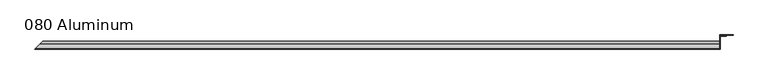
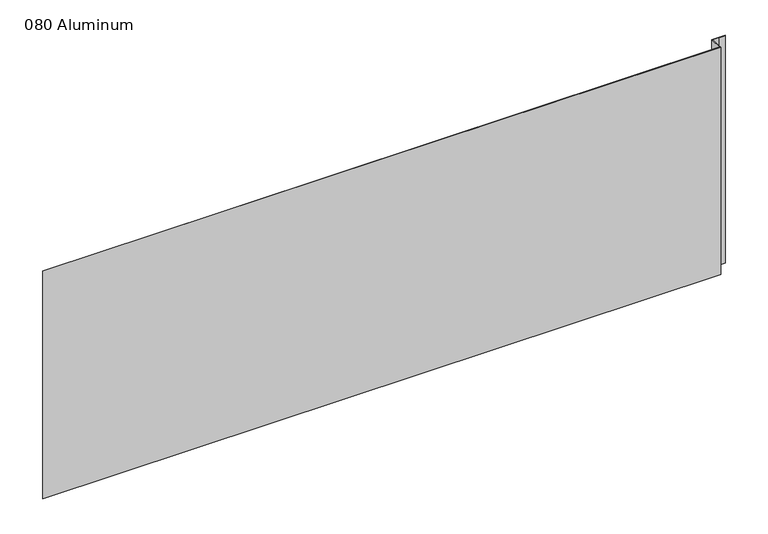
"""IFC4 building model written with IfcOpenShell, lengths in millimetres: plate geometry, 080 Aluminum."""

from ifc_helpers import new_model, si_unit, frame, origin, origin_with_axes, place, context, project, spatial, polyline, circle_curve, ellipse_curve, outline, extrude, source, transform, mapped, element, save
from ifc_brep_helpers import plane_surface, cylinder_surface, revolved_surface, advanced_brep


def plate_080_aluminum_d1e1fd54(model_context):
    return source(origin(), model_context, "Body", "SolidModel", [
        advanced_brep(
        [(849.6299998, -16.6765477, 13.1458337), (849.6299998, -23.0264743, 13.124237), (849.6299998, -23.0264743, 1.2693678), (849.6299998, -34.7980002, 1.2693678), (849.6299998, -34.7980002, 0.0), (849.6299998, -21.7564743, 0.0), (849.6299998, -21.7564743, 13.124237), (849.6299998, -17.9464915, 13.1323356), (849.6299998, -17.9464915, 2.786437), (849.6299998, -16.6765477, 2.786437), (-880.2765476, -16.6765477, 2.786437), (-880.2765476, -16.6765477, 13.1458337), (-881.5464913, -17.9464915, 2.786437), (-881.5464913, -17.9464915, 13.1323356), (-885.3564741, -21.7564743, 13.124237), (-885.3564741, -21.7564743, 0.0), (-898.3979998, -34.7980002, 0.0), (-898.3979998, -34.7980002, 1.2693678), (-886.6264741, -23.0264743, 1.2693678), (-886.6264741, -23.0264743, 13.124237)],
        [
            (0, 1, circle_curve(frame((849.6299998, -19.8514743, 13.124237), z_axis=(1.0, 0.0, 0.0), x_axis=(0.0, 0.0, -1.0)), 3.175)),
            (1, 2),
            (2, 3),
            (3, 4),
            (4, 5),
            (5, 6),
            (6, 7, circle_curve(frame((849.6299998, -19.8514743, 13.124237), z_axis=(-1.0, 0.0, 0.0), x_axis=(0.0, 0.0, -1.0)), 1.905)),
            (7, 8),
            (8, 9),
            (9, 0),
            (9, 10),
            (10, 11),
            (11, 0),
            (8, 12),
            (12, 10),
            (7, 13),
            (13, 12),
            (6, 14),
            (14, 13, ellipse_curve(frame((-883.4514741, -19.8514743, 13.124237), z_axis=(-0.7071067811865465, 0.7071067811865488, 0.0), x_axis=(0.7071067811865486, 0.7071067811865465, 0.0)), 2.6940768, 1.905)),
            (5, 15),
            (15, 14),
            (4, 16),
            (16, 15),
            (3, 17),
            (17, 16),
            (2, 18),
            (18, 17),
            (1, 19),
            (19, 18),
            (11, 19, ellipse_curve(frame((-883.4514741, -19.8514743, 13.124237), z_axis=(0.7071067811865465, -0.7071067811865488, 0.0), x_axis=(-0.7071067811865486, -0.7071067811865465, 0.0)), 4.4901281, 3.175)),
        ],
        [
            plane_surface(frame((849.6299998, -36.068, 0.0), z_axis=(1.0, 0.0, 0.0), x_axis=(0.0, 0.0, 1.0))),
            plane_surface(frame((-898.3979998, -16.6765477, 13.1458337), z_axis=(0.0, 1.0, 0.0), x_axis=(1.0, 0.0, 0.0))),
            plane_surface(frame((-898.3979998, -16.6765477, 2.786437), z_axis=(0.0, 0.0, -1.0), x_axis=(1.0, 0.0, 0.0))),
            plane_surface(frame((-898.3979998, -17.9464915, 2.786437), z_axis=(0.0, -1.0, 0.0), x_axis=(1.0, 0.0, 0.0))),
            revolved_surface(polyline([(849.6299998, -19.8514743, 11.219237000000001), (-885.3564741, -19.8514743, 11.219237000000001)]), (-898.3979998, -19.8514743, 13.124237), (1.0, 0.0, 0.0)),
            plane_surface(frame((-898.3979998, -21.7564743, 13.124237), z_axis=(0.0, 1.0, 0.0), x_axis=(1.0, 0.0, 0.0))),
            plane_surface(frame((-898.3979998, -21.7564743, 0.0), z_axis=(0.0, 0.0, -1.0), x_axis=(1.0, 0.0, 0.0))),
            plane_surface(frame((-898.3979998, -34.7980002, 0.0), z_axis=(0.0, -1.0, 0.0), x_axis=(1.0, 0.0, 0.0))),
            plane_surface(frame((-898.3979998, -34.7980002, 1.2693678), z_axis=(0.0, 0.0, 1.0), x_axis=(1.0, 0.0, 0.0))),
            plane_surface(frame((-898.3979998, -23.0264743, 1.2693678), z_axis=(0.0, -1.0, 0.0), x_axis=(1.0, 0.0, 0.0))),
            cylinder_surface(frame((-898.3979998, -19.8514743, 13.124237), z_axis=(-1.0, 0.0, 0.0), x_axis=(0.0, 0.0, -1.0)), 3.175),
            plane_surface(frame((-899.6679998, -36.068, 795.4549971), z_axis=(-0.7071067811865465, 0.7071067811865488, 0.0), x_axis=(0.0, 0.0, -1.0))),
        ],
        [
            (0, [[1, 2, 3, 4, 5, 6, 7, 8, 9, 10]]),
            (1, [[-10, 11, 12, 13]]),
            (2, [[-9, 14, 15, -11]]),
            (3, [[-8, 16, 17, -14]]),
            (4, [[-7, 18, 19, -16]]),
            (5, [[-6, 20, 21, -18]]),
            (6, [[-5, 22, 23, -20]]),
            (7, [[-4, 24, 25, -22]]),
            (8, [[-3, 26, 27, -24]]),
            (9, [[-2, 28, 29, -26]]),
            (10, [[-1, -13, 30, -28]]),
            (11, [[-12, -15, -17, -19, -21, -23, -25, -27, -29, -30]]),
        ],
    ),
        extrude(outline(polyline([(850.8999998, -34.7980001), (850.8999998, -36.068), (-899.6679998, -36.068), (-898.3979999, -34.7980001), (850.8999998, -34.7980001)])), origin_with_axes(), (0.0, 0.0, 1.0), 622.3),
        extrude(outline(polyline([(850.8999998, -1.2699999), (850.8999998, -34.7980002), (849.6299999, -34.7980002), (849.6299999, 0.0), (883.4120855, 0.0), (883.4120855, -1.2699999), (850.8999998, -1.2699999)])), origin_with_axes(), (0.0, 0.0, 1.0), 621.03),
        extrude(outline(polyline([(849.6299998, -3.3274743), (849.6299998, -2.0574743), (865.3779998, -2.0574743), (865.3779998, -3.3274743), (849.6299998, -3.3274743)])), origin_with_axes(), (0.0, 0.0, 1.0), 622.3),
    ])


if __name__ == "__main__":
    model = new_model("IFC4")
    model_context = context("Model", 3, world=origin())
    ifc_project = project(units=[si_unit("LENGTHUNIT", "METRE", prefix="MILLI")], contexts=[model_context])
    site = spatial("IfcSite", under=ifc_project)
    building = spatial("IfcBuilding", under=site)
    placement = place(None, origin())
    plate_080_aluminum_shape = plate_080_aluminum_d1e1fd54(model_context)
    element("IfcPlate", 1, ObjectType="080 Aluminum", at=placement, inside=building, context=model_context, shape_type="MappedRepresentation", body=[
        mapped(plate_080_aluminum_shape, transform((0.0, 0.0, 0.0), x_axis=(1.0, 0.0, 0.0), y_axis=(0.0, 1.0, 0.0), z_axis=(0.0, 0.0, 1.0))),
    ])
    save(model, "model.ifc")
